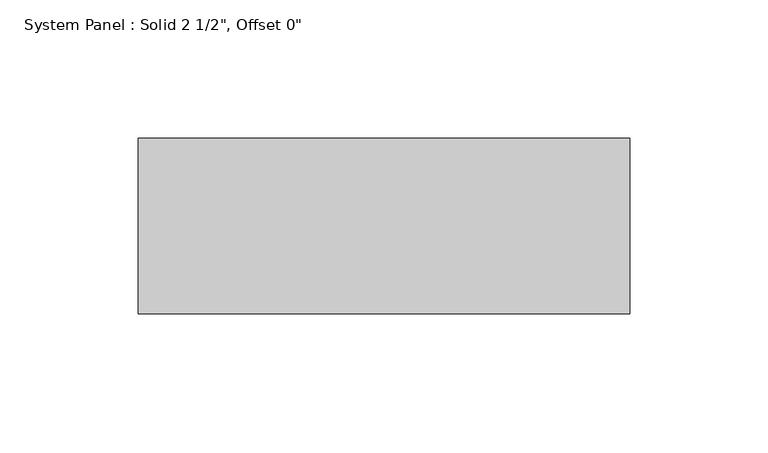
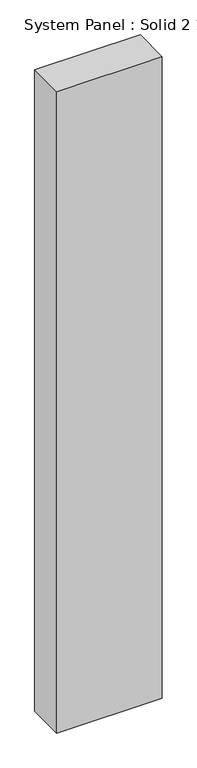
"""IFC4 building model written with IfcOpenShell, lengths in millimetres: plate geometry."""

from ifc_helpers import new_model, si_unit, origin, origin_with_axes, place, context, project, spatial, polyline, outline, extrude, source, transform, mapped, element, save


def plate_ba2f3d86(model_context):
    return source(origin(), model_context, "Body", "SweptSolid", [
        extrude(outline(polyline([(88.9, -31.75), (-88.9, -31.75), (-88.9, 31.75), (88.9, 31.75), (88.9, -31.75)])), origin_with_axes(), (0.0, 0.0, 1.0), 1140.8833333),
    ])


if __name__ == "__main__":
    model = new_model("IFC4")
    model_context = context("Model", 3, world=origin())
    ifc_project = project(units=[si_unit("LENGTHUNIT", "METRE", prefix="MILLI")], contexts=[model_context])
    site = spatial("IfcSite", under=ifc_project)
    building = spatial("IfcBuilding", under=site)
    placement = place(None, origin())
    plate_shape = plate_ba2f3d86(model_context)
    element("IfcPlate", 1, ObjectType="System Panel : Solid 2 1/2\", Offset 0\"", at=placement, inside=building, context=model_context, shape_type="MappedRepresentation", body=[
        mapped(plate_shape, transform((0.0, 0.0, 0.0), x_axis=(1.0, 0.0, 0.0), y_axis=(0.0, 1.0, 0.0), z_axis=(0.0, 0.0, 1.0))),
    ])
    save(model, "model.ifc")
